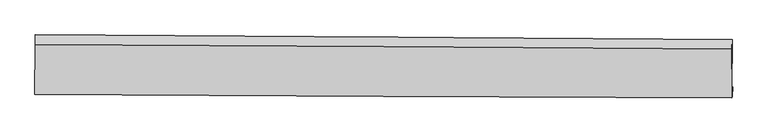
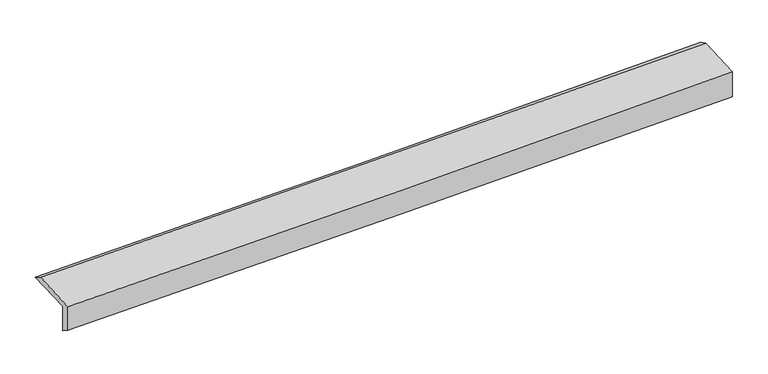
"""IFC4 building model written with IfcOpenShell, lengths in millimetres: proxy geometry."""

from ifc_helpers import new_model, si_unit, frame, origin, place, context, project, spatial, source, transform, mapped, element, save
from ifc_brep_helpers import plane_surface, spline_curve, spline_surface, advanced_brep


def generic_models_c22223cb(model_context):
    return source(origin(), model_context, "Body", "AdvancedBrep", [
        advanced_brep(
        [(-4778.0376073, -1773.0250022, 1530.7574839), (-4788.6572944, -1790.0271465, 1915.0236457), (4764.5458344, -1837.9483369, 2191.9387256), (4775.7174965, -1820.0624794, 1787.6997229), (-4781.4960279, -1909.6862696, 1618.0481181), (4772.5350634, -1956.2818901, 1865.0039367), (-4791.8846024, -1926.3184021, 1993.9516284), (4761.5945139, -1973.7977359, 2260.8802879), (-4787.292419, -1237.2579625, 2024.5665347), (4766.0535434, -1304.7171425, 2290.607491), (-4784.0932487, -1105.1887973, 1945.4509648), (4768.9767262, -1173.0898339, 2221.4783416)],
        [
            (0, 1),
            (1, 2, spline_curve(3, [(-4788.6572944, -1790.0271465, 1915.0236457), (-3195.052066776, -1801.35339392, 1946.035792854), (-1601.648286114, -1811.011413873, 1984.637419794), (1582.752250828, -1826.980949947, 2076.961527947), (3173.749512709, -1833.296659442, 2130.664927967), (4764.5458344, -1837.9483369, 2191.9387256)], [4, 2, 4], [0.0, 15.688011366680481, 31.356288353856666])),
            (2, 3),
            (3, 0, spline_curve(3, [(4775.7174965, -1820.0624794, 1787.6997229), (3184.645244961, -1815.852565878, 1736.410250659), (1593.463991667, -1809.831427222, 1689.364464478), (-1591.120768696, -1794.156833622, 1603.706355173), (-3184.524549357, -1784.498813146, 1565.104728133), (-4778.0376073, -1773.0250022, 1530.7574839)], [4, 2, 4], [0.0, 15.668276987176185, 31.356288353856666])),
            (4, 0),
            (3, 5),
            (5, 4, spline_curve(3, [(4772.5350634, -1956.2818901, 1865.0039367), (3181.324846975, -1952.292858564, 1818.706627034), (1590.051597713, -1946.419005367, 1774.989648161), (-1594.625273913, -1930.891883091, 1692.664537544), (-3188.029054946, -1921.233862747, 1654.062910729), (-4781.4960279, -1909.6862696, 1618.0481181)], [4, 2, 4], [0.0, 15.668221527803471, 31.356177365259505])),
            (6, 4),
            (5, 7),
            (7, 6, spline_curve(3, [(4761.5945139, -1973.7977359, 2260.8802879), (3170.660227118, -1969.366940504, 2204.598652977), (1579.570969352, -1963.198516083, 2154.224059834), (-1604.92167861, -1947.37645155, 2065.232951162), (-3198.325459692, -1937.718431061, 2026.631323825), (-4791.8846024, -1926.3184021, 1993.9516284)], [4, 2, 4], [0.0, 15.668237871683218, 31.35621007360431])),
            (8, 6),
            (7, 9),
            (9, 8, spline_curve(3, [(4766.0535434, -1304.7171425, 2290.607491), (3175.185819909, -1290.298519974, 2234.76961429), (1584.140946502, -1277.470146591, 2184.690922934), (-1600.307260791, -1254.97974526, 2095.996087124), (-3193.711041847, -1245.321725057, 2057.394460255), (-4787.292419, -1237.2579625, 2024.5665347)], [4, 2, 4], [0.0, 15.668244970964514, 31.356224281108528])),
            (10, 8),
            (9, 11),
            (11, 10, spline_curve(3, [(4768.9767262, -1173.0898339, 2221.4783416), (3178.246967413, -1158.450329157, 2160.648302536), (1587.29409018, -1145.474670495, 2107.240803544), (-1597.062006097, -1122.836798144, 2015.212968859), (-3190.465787017, -1113.178777628, 1976.611341875), (-4784.0932487, -1105.1887973, 1945.4509648)], [4, 2, 4], [0.0, 15.668246837723608, 31.356228016977923])),
            (1, 10),
            (11, 2),
        ],
        [
            spline_surface(3, 3, [[(-4778.0376073, -1773.0250022, 1530.7574839), (-3184.524549501, -1784.498813354, 1565.104728031), (-1591.120768443, -1794.156833596, 1603.706354986), (1593.463991414, -1809.831427249, 1689.364464665), (3184.645244939, -1815.852566115, 1736.410250707), (4775.7174965, -1820.0624794, 1787.6997229)], [(-4781.577502984, -1778.692383612, 1658.846204475), (-3188.033721959, -1790.117006809, 1692.081749557), (-1594.629940901, -1799.77502705, 1730.683376512), (1589.893411152, -1815.547934743, 1818.563485852), (3181.01333412, -1821.667263977, 1867.828476441), (4771.993609145, -1826.024431915, 1922.446057114)], [(-4785.117398716, -1784.359765088, 1786.934925125), (-3191.542894466, -1795.735200328, 1819.058771159), (-1598.139113407, -1805.39322057, 1857.660398014), (1586.322830842, -1821.264442302, 1947.762507014), (3177.381423267, -1827.481961794, 1999.246702231), (4768.269721755, -1831.986384385, 2057.192391386)], [(-4788.6572944, -1790.0271465, 1915.0236457), (-3195.052066924, -1801.353393782, 1946.035792685), (-1601.648285866, -1811.011414024, 1984.63741954), (1582.75225058, -1826.980949796, 2076.961528201), (3173.749512448, -1833.296659655, 2130.664927964), (4764.5458344, -1837.9483369, 2191.9387256)]], [4, 4], [4, 2, 4], [0.0, 1.2624094144524225], [0.0, 15.688011366680481, 31.356288353856666]),
            spline_surface(3, 3, [[(-4781.4960279, -1909.6862696, 1618.0481181), (-3188.02905494, -1921.23386269, 1654.062910805), (-1594.625273881, -1930.891882932, 1692.664537759), (1590.051597681, -1946.419005525, 1774.989647947), (3181.324847035, -1952.292858795, 1818.706627229), (4772.5350634, -1956.2818901, 1865.0039367)], [(-4780.343221026, -1864.132513815, 1588.951240036), (-3186.860886453, -1875.655512927, 1624.410183216), (-1593.457105395, -1885.313533169, 1663.01181017), (1591.189062266, -1900.889812782, 1746.447920188), (3182.431646341, -1906.812761236, 1791.274501744), (4773.595874438, -1910.875419867, 1839.235865455)], [(-4779.190414174, -1818.578757985, 1559.854361964), (-3185.692717988, -1830.077163118, 1594.75745562), (-1592.288936929, -1839.735183359, 1633.359082575), (1592.326526829, -1855.360619992, 1717.906192423), (3183.538445633, -1861.332663675, 1763.842376192), (4774.656685462, -1865.468949633, 1813.467794145)], [(-4778.0376073, -1773.0250022, 1530.7574839), (-3184.524549501, -1784.498813354, 1565.104728031), (-1591.120768443, -1794.156833596, 1603.706354986), (1593.463991414, -1809.831427249, 1689.364464665), (3184.645244939, -1815.852566115, 1736.410250707), (4775.7174965, -1820.0624794, 1787.6997229)]], [4, 4], [4, 2, 4], [0.0, 0.5321488438867998], [0.0, 15.687955837456034, 31.356177365259505]),
            spline_surface(3, 3, [[(-4791.8846024, -1926.3184021, 1993.9516284), (-3198.325459763, -1937.718431318, 2026.631323958), (-1604.921678704, -1947.37645146, 2065.232950913), (1579.570969447, -1963.198516173, 2154.224060083), (3170.660227144, -1969.366940635, 2204.598652986), (4761.5945139, -1973.7977359, 2260.8802879)], [(-4788.42174424, -1920.774357948, 1868.65045831), (-3194.893324829, -1932.223575124, 1902.441852918), (-1601.48954377, -1941.881595266, 1941.043479872), (1583.064512184, -1957.605345938, 2027.812589381), (3174.215100439, -1963.675580033, 2075.967977738), (4765.241363731, -1967.959120645, 2128.921504171)], [(-4784.95888606, -1915.230313752, 1743.34928819), (-3191.461189874, -1926.728718885, 1778.252381845), (-1598.057408815, -1936.386739126, 1816.8540088), (1586.558054943, -1952.012175759, 1901.401118648), (3177.76997374, -1957.984219397, 1947.337302477), (4768.888213569, -1962.120505355, 1996.962720429)], [(-4781.4960279, -1909.6862696, 1618.0481181), (-3188.02905494, -1921.23386269, 1654.062910805), (-1594.625273881, -1930.891882932, 1692.664537759), (1590.051597681, -1946.419005525, 1774.989647947), (3181.324847035, -1952.292858795, 1818.706627229), (4772.5350634, -1956.2818901, 1865.0039367)]], [4, 4], [4, 2, 4], [0.0, 1.2349355857316715], [0.0, 15.687972201921092, 31.35621007360431]),
            spline_surface(3, 3, [[(-4787.292419, -1237.2579625, 2024.5665347), (-3193.711042102, -1245.321724823, 2057.394460359), (-1600.307260943, -1254.979745065, 2095.996087313), (1584.140946655, -1277.470146786, 2184.690922745), (3175.185819652, -1290.298519899, 2234.769614544), (4766.0535434, -1304.7171425, 2290.607491)], [(-4788.823146819, -1466.944775671, 2014.361565938), (-3195.249181341, -1476.12062696, 2047.140081563), (-1601.845400182, -1485.778647201, 2085.741708518), (1582.617620933, -1506.04626992, 2174.535301862), (3173.677288814, -1516.654660124, 2224.712627343), (4764.567200231, -1527.744006946, 2280.698423286)], [(-4790.353874581, -1696.631588929, 2004.156597162), (-3196.787320524, -1706.919529182, 2036.885702754), (-1603.383539465, -1716.577549324, 2075.487329708), (1581.094295168, -1734.622393039, 2164.379680966), (3172.168757982, -1743.01080041, 2214.655640186), (4763.080857069, -1750.770871454, 2270.789355614)], [(-4791.8846024, -1926.3184021, 1993.9516284), (-3198.325459763, -1937.718431318, 2026.631323958), (-1604.921678704, -1947.37645146, 2065.232950913), (1579.570969447, -1963.198516173, 2154.224060083), (3170.660227144, -1969.366940635, 2204.598652986), (4761.5945139, -1973.7977359, 2260.8802879)]], [4, 4], [4, 2, 4], [0.0, 2.262998023864658], [0.0, 15.687979310144014, 31.356224281108528]),
            spline_surface(3, 3, [[(-4784.0932487, -1105.1887973, 1945.4509648), (-3190.465786963, -1113.178777687, 1976.611341886), (-1597.062005905, -1122.836797929, 2015.21296874), (1587.294089988, -1145.47467071, 2107.240803663), (3178.246967256, -1158.450329319, 2160.648302422), (4768.9767262, -1173.0898339, 2221.4783416)], [(-4785.159638798, -1149.211852377, 1971.822821437), (-3191.547538674, -1157.226426743, 2003.539048047), (-1598.143757616, -1166.884446984, 2042.140674902), (1586.243042179, -1189.473162745, 2133.057509994), (3177.226584726, -1202.399726171, 2185.35540648), (4768.002331938, -1216.965603425, 2244.521391417)], [(-4786.226028902, -1193.234907423, 1998.194678063), (-3192.629290391, -1201.274075768, 2030.466754198), (-1599.225509233, -1210.932096009, 2069.068381152), (1585.191994464, -1233.471654751, 2158.874216414), (3176.206202182, -1246.349123048, 2210.062510486), (4767.027937662, -1260.841372975, 2267.564441183)], [(-4787.292419, -1237.2579625, 2024.5665347), (-3193.711042102, -1245.321724823, 2057.394460359), (-1600.307260943, -1254.979745065, 2095.996087313), (1584.140946655, -1277.470146786, 2184.690922745), (3175.185819652, -1290.298519899, 2234.769614544), (4766.0535434, -1304.7171425, 2290.607491)]], [4, 4], [4, 2, 4], [0.0, 0.5052100081380704], [0.0, 15.687981179254315, 31.356228016977923]),
            spline_surface(3, 3, [[(-4788.6572944, -1790.0271465, 1915.0236457), (-3195.052066924, -1801.353393782, 1946.035792685), (-1601.648285866, -1811.011414024, 1984.63741954), (1582.75225058, -1826.980949796, 2076.961528201), (3173.749512448, -1833.296659655, 2130.664927964), (4764.5458344, -1837.9483369, 2191.9387256)], [(-4787.135945833, -1561.747696777, 1925.166085404), (-3193.523306937, -1571.961855094, 1956.227642423), (-1600.119525878, -1581.619875336, 1994.829269277), (1584.26619705, -1599.812190111, 2087.054620026), (3175.248664035, -1608.347882878, 2140.659386107), (4766.022798317, -1616.328835902, 2201.785264256)], [(-4785.614597267, -1333.468247023, 1935.308525096), (-3191.994546951, -1342.570316375, 1966.419492148), (-1598.590765892, -1352.228336617, 2005.021119003), (1585.780143518, -1372.643430395, 2097.147711838), (3176.747815669, -1383.399106096, 2150.65384428), (4767.499762283, -1394.709334898, 2211.631802944)], [(-4784.0932487, -1105.1887973, 1945.4509648), (-3190.465786963, -1113.178777687, 1976.611341886), (-1597.062005905, -1122.836797929, 2015.21296874), (1587.294089988, -1145.47467071, 2107.240803663), (3178.246967256, -1158.450329319, 2160.648302422), (4768.9767262, -1173.0898339, 2221.4783416)]], [4, 4], [4, 2, 4], [0.0, 2.249132048800381], [0.0, 15.68804548537693, 31.35635654833072]),
            plane_surface(frame((4768.2371963, -1677.6495698, 2102.9347509), z_axis=(0.9995969107712056, -0.007873631522734164, 0.027276764898111643), x_axis=(-0.00665769748178809, -0.9989923087224537, -0.04438515717695308))),
            plane_surface(frame((-4785.2435333, -1623.58393, 1837.9663959), z_axis=(-0.9995969107712055, 0.007873631522738454, -0.027276764898112052), x_axis=(0.027598750712734692, 0.04418566554920233, -0.9986420459399206))),
        ],
        [
            (0, [[1, 2, 3, 4]]),
            (1, [[5, -4, 6, 7]]),
            (2, [[8, -7, 9, 10]]),
            (3, [[11, -10, 12, 13]]),
            (4, [[14, -13, 15, 16]]),
            (5, [[17, -16, 18, -2]]),
            (6, [[-12, -9, -6, -3, -18, -15]]),
            (7, [[-1, -5, -8, -11, -14, -17]]),
        ],
    ),
    ])


if __name__ == "__main__":
    model = new_model("IFC4")
    model_context = context("Model", 3, world=origin())
    ifc_project = project(units=[si_unit("LENGTHUNIT", "METRE", prefix="MILLI")], contexts=[model_context])
    site = spatial("IfcSite", under=ifc_project)
    building = spatial("IfcBuilding", under=site)
    placement = place(None, origin())
    generic_models_shape = generic_models_c22223cb(model_context)
    element("IfcBuildingElementProxy", 1, Name="Generic Models", at=placement, inside=building, context=model_context, shape_type="MappedRepresentation", body=[
        mapped(generic_models_shape, transform((0.0, 0.0, 0.0), x_axis=(1.0, 0.0, 0.0), y_axis=(0.0, 1.0, 0.0), z_axis=(0.0, 0.0, 1.0))),
    ])
    save(model, "model.ifc")
